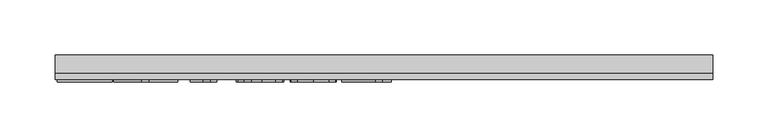
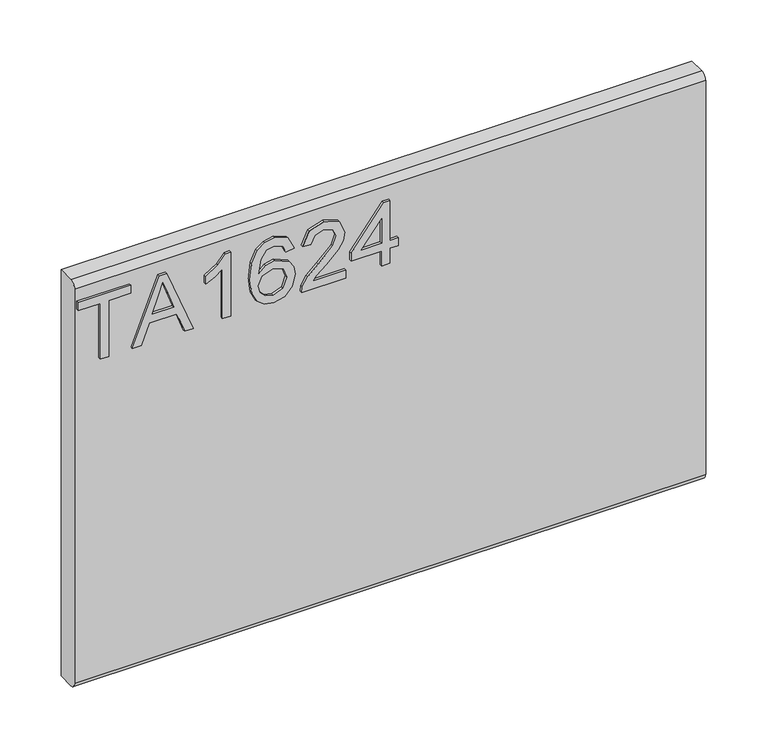
"""IFC4 building model written with IfcOpenShell, lengths in millimetres: furniture geometry."""

from ifc_helpers import new_model, si_unit, frame, origin, place, context, project, spatial, polyline, circle_curve, outline, extrude, source, transform, mapped, element, save
from ifc_brep_helpers import plane_surface, cylinder_surface, advanced_brep


def furniture_67fa93b1(model_context):
    return source(origin(), model_context, "Body", "SolidModel", [
        extrude(outline(polyline([(882.65, -275.5255561), (882.65, -267.5518365), (938.4660373, -267.5518365), (938.4660373, -246.6208225), (946.4397569, -246.6208225), (946.4397569, -296.4565701), (938.4660373, -296.4565701), (938.4660373, -275.5255561), (882.65, -275.5255561)])), frame((0.0, -15.0812439, 0.0), z_axis=(0.0, 1.0, 0.0), x_axis=(0.0, 0.0, 1.0)), (0.0, 0.0, 1.0), 2.38125),
        extrude(outline(polyline([(882.65, -245.079029), (882.65, -236.653673), (902.584299, -229.3651949), (902.584299, -203.0924117), (882.65, -195.7883599), (882.65, -187.3630038), (946.4397569, -212.8259561), (946.4397569, -219.6160767), (882.65, -245.079029)]), holes=[polyline([(910.5580187, -226.4373447), (927.6111885, -220.1923026), (938.4660373, -216.2210164), (926.2407055, -211.7513728), (910.5580187, -206.0046882), (910.5580187, -226.4373447)])]), frame((0.0, -15.0812439, 0.0), z_axis=(0.0, 1.0, 0.0), x_axis=(0.0, 0.0, 1.0)), (0.0, 0.0, 1.0), 2.38125),
        extrude(outline(polyline([(882.65, -151.932902), (946.4397569, -151.932902), (946.4397569, -157.0722135), (937.9521062, -164.1660207), (930.4923177, -175.8540609), (922.9546609, -175.8540609), (926.9804549, -167.4598521), (932.3611582, -159.9066216), (882.65, -159.9066216), (882.65, -151.932902)])), frame((0.0, -15.0812439, 0.0), z_axis=(0.0, 1.0, 0.0), x_axis=(0.0, 0.0, 1.0)), (0.0, 0.0, 1.0), 2.38125),
        extrude(outline(polyline([(929.4956028, -92.1300049), (941.938966, -98.0168526), (946.4397569, -110.6159525), (944.6215308, -119.8706066), (939.1668525, -127.0150282), (928.3081103, -132.2477817), (912.4268592, -133.9920329), (898.3015395, -132.4210388), (888.8171738, -127.7080566), (883.4442572, -120.503287), (881.653285, -111.4569308), (884.355317, -101.0069974), (892.1421526, -93.7652403), (903.1449512, -91.1332899), (911.3172351, -92.5310269), (917.8309231, -96.7242379), (923.515313, -110.2733317), (921.4362279, -118.9868007), (915.0743833, -126.0183133), (929.2853582, -123.7523441), (936.5349021, -118.309346), (938.4660373, -111.11431), (935.1488454, -103.1250167), (928.4988878, -100.1037245), (929.4956028, -92.1300049)]), holes=[polyline([(903.2695406, -126.0183133), (912.15432, -122.054814), (915.5415934, -112.4069247), (912.15432, -102.6344461), (902.8801988, -99.1070095), (893.1933754, -102.6811671), (889.6270047, -112.0798776), (891.3478953, -119.2671268), (896.3626174, -124.1728332), (903.2695406, -126.0183133)])]), frame((0.0, -15.0812439, 0.0), z_axis=(0.0, 1.0, 0.0), x_axis=(0.0, 0.0, 1.0)), (0.0, 0.0, 1.0), 2.38125),
        extrude(outline(polyline([(890.6237196, -43.2909722), (890.6237196, -74.6096249), (894.6806609, -71.0121068), (902.350694, -61.8392145), (913.2756243, -50.4159268), (921.0936072, -45.7048912), (928.6546245, -44.2876872), (941.3315928, -49.5438012), (946.4397569, -63.8170708), (941.845524, -78.0436193), (928.4988878, -84.1562853), (927.5021729, -76.1825656), (935.5537608, -72.8264395), (938.4660373, -63.9883812), (935.4836793, -55.5085172), (928.1718407, -52.2614068), (919.1391115, -55.7031881), (905.85477, -69.4703134), (896.6117962, -79.4530366), (888.1475059, -84.2964483), (882.65, -85.1530002), (882.65, -43.2909722), (890.6237196, -43.2909722)])), frame((0.0, -15.0812439, 0.0), z_axis=(0.0, 1.0, 0.0), x_axis=(0.0, 0.0, 1.0)), (0.0, 0.0, 1.0), 2.38125),
        extrude(outline(polyline([(882.65, -9.4026638), (882.65, -1.4289442), (897.6007243, -1.4289442), (897.6007243, 6.5447754), (905.5744439, 6.5447754), (905.5744439, -1.4289442), (945.443042, -1.4289442), (945.443042, -7.4092339), (905.5744439, -38.3073975), (897.6007243, -38.3073975), (897.6007243, -9.4026638), (882.65, -9.4026638)]), holes=[polyline([(905.5744439, -9.4026638), (905.5744439, -28.4959846), (930.2119916, -9.4026638), (905.5744439, -9.4026638)])]), frame((0.0, -15.0812439, 0.0), z_axis=(0.0, 1.0, 0.0), x_axis=(0.0, 0.0, 1.0)), (0.0, 0.0, 1.0), 2.38125),
        advanced_brep(
        [(298.45, 9.5250061, 965.2), (298.45, -6.7309939, 965.2), (298.45, -12.6999939, 959.231), (298.45, -12.6999939, 564.769), (298.45, -6.7309939, 558.8), (298.45, 9.5250061, 558.8), (-298.45, 9.5250061, 965.2), (-298.45, 9.5250061, 558.8), (-298.45, -6.7309939, 558.8), (-298.45, -12.6999939, 564.769), (-298.45, -12.6999939, 959.2310121), (-298.45, -6.7309939, 965.2)],
        [
            (0, 1),
            (1, 2, circle_curve(frame((298.45, -6.7309939, 959.231), z_axis=(1.0, 0.0, 0.0), x_axis=(0.0, 1.0, 0.0)), 5.969)),
            (2, 3),
            (3, 4, circle_curve(frame((298.45, -6.7309939, 564.769), z_axis=(1.0, 0.0, 0.0), x_axis=(0.0, 1.0, 0.0)), 5.969)),
            (4, 5),
            (5, 0),
            (6, 7),
            (7, 8),
            (8, 9, circle_curve(frame((-298.45, -6.7309939, 564.769), z_axis=(-1.0, 0.0, 0.0), x_axis=(0.0, 1.0, 0.0)), 5.969)),
            (9, 10),
            (10, 11, circle_curve(frame((-298.45, -6.7309939, 959.231), z_axis=(-1.0, 0.0, 0.0), x_axis=(0.0, 1.0, 0.0)), 5.969)),
            (11, 6),
            (0, 6),
            (11, 1),
            (10, 2),
            (9, 3),
            (8, 4),
            (7, 5),
        ],
        [
            plane_surface(frame((298.45, -6.7309939, 965.2), z_axis=(1.0, 0.0, 0.0), x_axis=(0.0, -1.0, 0.0))),
            plane_surface(frame((-298.45, -6.7309939, 965.2), z_axis=(-1.0, 0.0, 0.0), x_axis=(0.0, 1.0, 0.0))),
            plane_surface(frame((298.45, 9.5250061, 965.2), z_axis=(0.0, 0.0, 1.0), x_axis=(-1.0, 0.0, 0.0))),
            cylinder_surface(frame((-298.45, -6.7309939, 959.231), z_axis=(1.0, 0.0, 0.0), x_axis=(0.0, 1.0, 0.0)), 5.969),
            plane_surface(frame((298.45, -12.6999939, 959.2310121), z_axis=(0.0, -1.0, 0.0), x_axis=(-1.0, 0.0, 0.0))),
            cylinder_surface(frame((-298.45, -6.7309939, 564.769), z_axis=(1.0, 0.0, 0.0), x_axis=(0.0, 1.0, 0.0)), 5.969),
            plane_surface(frame((298.45, -6.7309939, 558.8), z_axis=(0.0, 0.0, -1.0), x_axis=(-1.0, 0.0, 0.0))),
            plane_surface(frame((298.45, 9.5250061, 558.8), z_axis=(0.0, 1.0, 0.0), x_axis=(-1.0, 0.0, 0.0))),
        ],
        [
            (0, [[1, 2, 3, 4, 5, 6]]),
            (1, [[7, 8, 9, 10, 11, 12]]),
            (2, [[-1, 13, -12, 14]]),
            (3, [[-2, -14, -11, 15]]),
            (4, [[-3, -15, -10, 16]]),
            (5, [[-4, -16, -9, 17]]),
            (6, [[-5, -17, -8, 18]]),
            (7, [[-6, -18, -7, -13]]),
        ],
    ),
    ])


if __name__ == "__main__":
    model = new_model("IFC4")
    model_context = context("Model", 3, world=origin())
    ifc_project = project(units=[si_unit("LENGTHUNIT", "METRE", prefix="MILLI")], contexts=[model_context])
    site = spatial("IfcSite", under=ifc_project)
    building = spatial("IfcBuilding", under=site)
    placement = place(None, origin())
    furniture_shape = furniture_67fa93b1(model_context)
    element("IfcFurniture", 1, at=placement, inside=building, context=model_context, shape_type="MappedRepresentation", body=[
        mapped(furniture_shape, transform((0.0, 0.0, 0.0), x_axis=(1.0, 0.0, 0.0), y_axis=(0.0, 1.0, 0.0), z_axis=(0.0, 0.0, 1.0))),
    ])
    save(model, "model.ifc")
